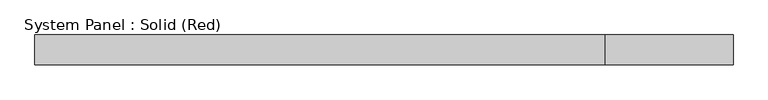
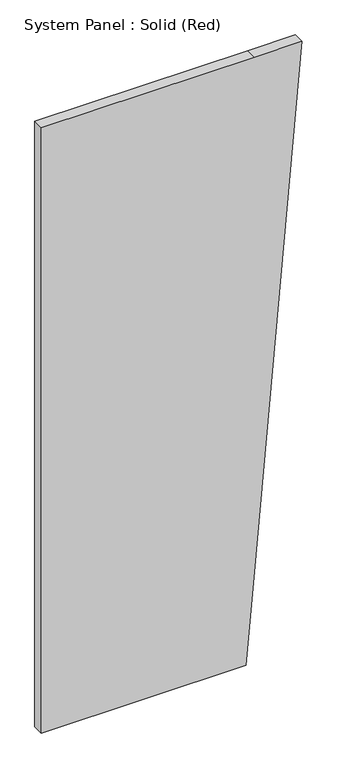
"""IFC4 building model written with IfcOpenShell, lengths in millimetres: plate geometry, System Panel : Solid (Red)."""

from ifc_helpers import new_model, si_unit, frame, origin, place, context, project, spatial, polyline, outline, extrude, source, transform, mapped, element, save


def system_panel_solid_red_64c7d8ee(model_context):
    return source(origin(), model_context, "Body", "SweptSolid", [
        extrude(outline(polyline([(0.0, -745.9578946), (0.0, 425.1157893), (548.6400035, 473.2421054), (3657.6, 745.9578946), (3657.6, 473.2421054), (3657.6, -745.9578946), (0.0, -745.9578946)])), frame((0.0, -19.05, 0.0), z_axis=(0.0, 1.0, 0.0), x_axis=(0.0, 0.0, 1.0)), (0.0, 0.0, 1.0), 63.5),
    ])


if __name__ == "__main__":
    model = new_model("IFC4")
    model_context = context("Model", 3, world=origin())
    ifc_project = project(units=[si_unit("LENGTHUNIT", "METRE", prefix="MILLI")], contexts=[model_context])
    site = spatial("IfcSite", under=ifc_project)
    building = spatial("IfcBuilding", under=site)
    placement = place(None, origin())
    system_panel_solid_red_shape = system_panel_solid_red_64c7d8ee(model_context)
    element("IfcPlate", 1, ObjectType="System Panel : Solid (Red)", at=placement, inside=building, context=model_context, shape_type="MappedRepresentation", body=[
        mapped(system_panel_solid_red_shape, transform((0.0, 0.0, 0.0), x_axis=(1.0, 0.0, 0.0), y_axis=(0.0, 1.0, 0.0), z_axis=(0.0, 0.0, 1.0))),
    ])
    save(model, "model.ifc")
